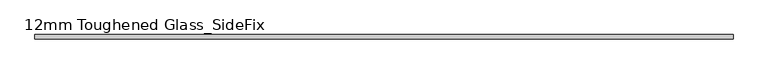
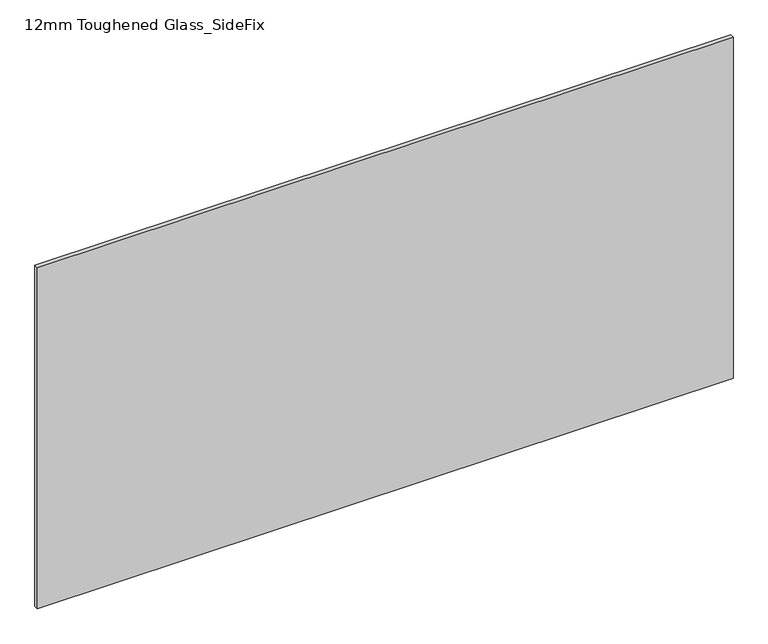
"""IFC4 building model written with IfcOpenShell, lengths in millimetres: plate geometry, 12mm Toughened Glass_SideFix."""

from ifc_helpers import new_model, si_unit, origin, origin_with_axes, place, context, project, spatial, polyline, outline, extrude, source, transform, mapped, element, save


def plate_12mm_toughened_glass_sidefix_95b4658a(model_context):
    return source(origin(), model_context, "Body", "SweptSolid", [
        extrude(outline(polyline([(945.0000001, -26.0), (945.0000001, -38.0), (-945.0000001, -38.0), (-945.0000001, -26.0), (945.0000001, -26.0)])), origin_with_axes(), (0.0, 0.0, 1.0), 979.0),
    ])


if __name__ == "__main__":
    model = new_model("IFC4")
    model_context = context("Model", 3, world=origin())
    ifc_project = project(units=[si_unit("LENGTHUNIT", "METRE", prefix="MILLI")], contexts=[model_context])
    site = spatial("IfcSite", under=ifc_project)
    building = spatial("IfcBuilding", under=site)
    placement = place(None, origin())
    plate_12mm_toughened_glass_sidefix_shape = plate_12mm_toughened_glass_sidefix_95b4658a(model_context)
    element("IfcPlate", 1, ObjectType="12mm Toughened Glass_SideFix", at=placement, inside=building, context=model_context, shape_type="MappedRepresentation", body=[
        mapped(plate_12mm_toughened_glass_sidefix_shape, transform((0.0, 0.0, 0.0), x_axis=(1.0, 0.0, 0.0), y_axis=(0.0, 1.0, 0.0), z_axis=(0.0, 0.0, 1.0))),
    ])
    save(model, "model.ifc")
